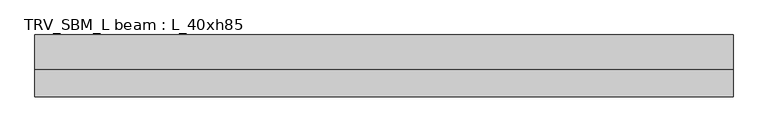
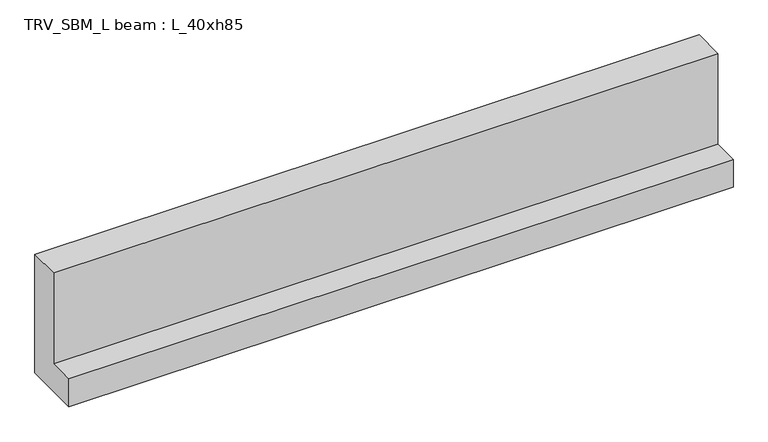
"""IFC4 building model written with IfcOpenShell, lengths in millimetres: beam geometry, TRV_SBM_L beam : L_40xh85."""

from ifc_helpers import new_model, si_unit, frame, origin, place, context, project, spatial, polyline, outline, extrude, source, transform, mapped, element, save


def trv_sbm_l_beam_l_40xh85_f0559865(model_context):
    return source(origin(), model_context, "Body", "SweptSolid", [
        extrude(outline(polyline([(115.0, -100.0), (-285.0, -100.0), (-285.0, 100.0), (-105.0, 100.0), (-105.0, 750.0), (115.0, 750.0), (115.0, -100.0)])), frame((-2249.8901156, 0.0, 0.0), z_axis=(1.0, 0.0, 0.0), x_axis=(0.0, 1.0, 0.0)), (0.0, 0.0, 1.0), 4499.8901156),
    ])


if __name__ == "__main__":
    model = new_model("IFC4")
    model_context = context("Model", 3, world=origin())
    ifc_project = project(units=[si_unit("LENGTHUNIT", "METRE", prefix="MILLI")], contexts=[model_context])
    site = spatial("IfcSite", under=ifc_project)
    building = spatial("IfcBuilding", under=site)
    placement = place(None, origin())
    trv_sbm_l_beam_l_40xh85_shape = trv_sbm_l_beam_l_40xh85_f0559865(model_context)
    element("IfcBeam", 1, ObjectType="TRV_SBM_L beam : L_40xh85", at=placement, inside=building, context=model_context, shape_type="MappedRepresentation", body=[
        mapped(trv_sbm_l_beam_l_40xh85_shape, transform((0.0, 0.0, 0.0), x_axis=(1.0, 0.0, 0.0), y_axis=(0.0, 1.0, 0.0), z_axis=(0.0, 0.0, 1.0))),
    ])
    save(model, "model.ifc")
